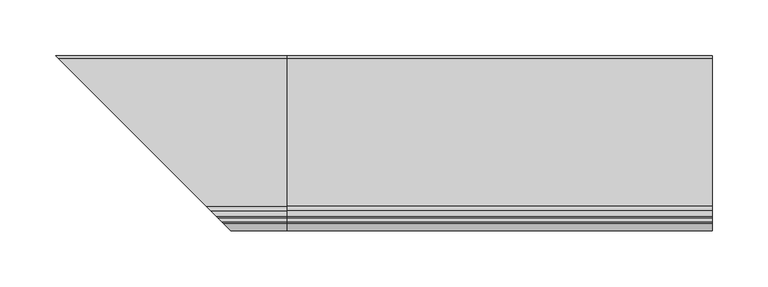
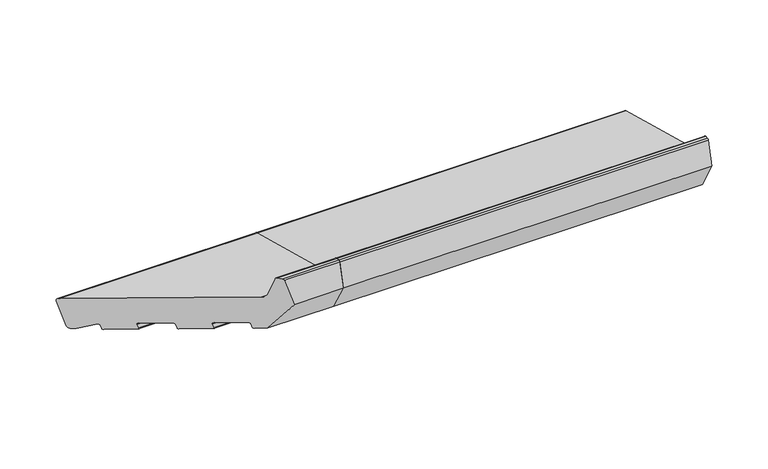
"""IFC4 building model written with IfcOpenShell, lengths in millimetres: proxy geometry."""

from ifc_helpers import new_model, si_unit, point, frame, frame_2d, origin, place, context, project, spatial, polyline, circle_curve, ellipse_curve, trimmed, segment, composite_curve, outline, extrude, source, transform, mapped, element, save
from ifc_brep_helpers import plane_surface, cylinder_surface, revolved_surface, advanced_brep


def generic_models_b41b1fc0(model_context):
    return source(origin(), model_context, "Body", "SolidModel", [
        advanced_brep(
        [(0.0, 24.4386976, 5.4869469), (0.0, 28.1129323, 7.6082672), (0.0, 34.8422274, 32.7223387), (0.0, 32.7209071, 36.3965733), (0.0, -99.1626434, 71.7346642), (0.0, -103.4052841, 75.9773049), (0.0, -108.1879801, 93.8265696), (0.0, -109.6368689, 94.9383411), (0.0, -112.9802434, 94.9383411), (0.0, -114.4291321, 93.8265696), (0.0, -121.0, 69.3037568), (0.0, -103.3223305, 38.685135), (0.0, -94.628998, 36.3557636), (0.0, -93.4042532, 37.0628704), (0.0, -92.368977, 40.9265737), (0.0, -91.1442321, 41.6336805), (0.0, -67.9620123, 35.4220234), (0.0, -67.2549055, 34.1972785), (0.0, -68.2901817, 30.3335752), (0.0, -67.5830749, 29.1088303), (0.0, -45.3667809, 23.1559923), (0.0, -44.142036, 23.8630991), (0.0, -43.1067598, 27.7268024), (0.0, -41.882015, 28.4339092), (0.0, -18.6997951, 22.2222521), (0.0, -17.9926884, 20.9975072), (0.0, -19.0279645, 17.1338039), (0.0, -18.3208578, 15.909059), (0.0, 3.8954362, 9.956221), (0.0, 5.1201811, 10.6633278), (0.0, 6.0694345, 14.2059898), (0.0, 7.5536904, 14.8023515), (0.0, 21.7219201, 6.2149052), (-195.4386976, 24.4386976, 5.4869469), (-199.1129323, 28.1129323, 7.6082672), (-205.8422274, 34.8422274, 32.7223387), (-203.7209071, 32.7209071, 36.3965733), (-71.8373566, -99.1626434, 71.7346642), (-67.5947159, -103.4052841, 75.9773049), (-62.8120199, -108.1879801, 93.8265696), (-61.3631311, -109.6368689, 94.9383411), (-58.0197566, -112.9802434, 94.9383411), (-56.5708679, -114.4291321, 93.8265696), (-50.0, -121.0, 69.3037568), (-67.6776695, -103.3223305, 38.685135), (-76.371002, -94.628998, 36.3557636), (-77.5957468, -93.4042532, 37.0628704), (-78.631023, -92.368977, 40.9265737), (-79.8557679, -91.1442321, 41.6336805), (-103.0379877, -67.9620123, 35.4220234), (-103.7450945, -67.2549055, 34.1972785), (-102.7098183, -68.2901817, 30.3335752), (-103.4169251, -67.5830749, 29.1088303), (-125.6332191, -45.3667809, 23.1559923), (-126.857964, -44.142036, 23.8630991), (-127.8932402, -43.1067598, 27.7268024), (-129.117985, -41.882015, 28.4339092), (-192.7219201, 21.7219201, 6.2149052), (-152.3002049, -18.6997951, 22.2222521), (-151.9720355, -19.0279645, 17.1338039), (-152.6791422, -18.3208578, 15.909059), (-153.0073116, -17.9926884, 20.9975072), (-174.8954362, 3.8954362, 9.956221), (-176.1201811, 5.1201811, 10.6633278), (-177.0694345, 6.0694345, 14.2059898), (-178.5536904, 7.5536904, 14.8023515)],
        [
            (0, 1, circle_curve(frame((0.0, 25.2151548, 8.3847244), z_axis=(1.0, 0.0, 0.0), x_axis=(0.0, 1.0, 0.0)), 3.0)),
            (1, 2),
            (2, 3, circle_curve(frame((0.0, 31.94445, 33.4987958), z_axis=(1.0, 0.0, 0.0), x_axis=(0.0, 1.0, 0.0)), 3.0)),
            (3, 4),
            (4, 5, circle_curve(frame((0.0, -97.6097291, 77.5302191), z_axis=(-1.0, 0.0, 0.0), x_axis=(0.0, 1.0, 0.0)), 6.0)),
            (5, 6),
            (6, 7, circle_curve(frame((0.0, -109.6368689, 93.4383411), z_axis=(1.0, 0.0, 0.0), x_axis=(0.0, 1.0, 0.0)), 1.5)),
            (7, 8),
            (8, 9, circle_curve(frame((0.0, -112.9802434, 93.4383411), z_axis=(1.0, 0.0, 0.0), x_axis=(0.0, 1.0, 0.0)), 1.5)),
            (9, 10),
            (10, 11),
            (11, 12),
            (12, 13, circle_curve(frame((0.0, -94.370179, 37.3216894), z_axis=(1.0, 0.0, 0.0), x_axis=(0.0, 1.0, 0.0)), 1.0)),
            (13, 14),
            (14, 15, circle_curve(frame((0.0, -91.4030512, 40.6677546), z_axis=(-1.0, 0.0, 0.0), x_axis=(0.0, 1.0, 0.0)), 1.0)),
            (15, 16),
            (16, 17, circle_curve(frame((0.0, -68.2208313, 34.4560976), z_axis=(-1.0, 0.0, 0.0), x_axis=(0.0, 1.0, 0.0)), 1.0)),
            (17, 18),
            (18, 19, circle_curve(frame((0.0, -67.3242559, 30.0747562), z_axis=(1.0, 0.0, 0.0), x_axis=(0.0, 1.0, 0.0)), 1.0)),
            (19, 20),
            (20, 21, circle_curve(frame((0.0, -45.1079618, 24.1219181), z_axis=(1.0, 0.0, 0.0), x_axis=(0.0, 1.0, 0.0)), 1.0)),
            (21, 22),
            (22, 23, circle_curve(frame((0.0, -42.140834, 27.4679833), z_axis=(-1.0, 0.0, 0.0), x_axis=(0.0, 1.0, 0.0)), 1.0)),
            (23, 24),
            (24, 25, circle_curve(frame((0.0, -18.9586142, 21.2563263), z_axis=(-1.0, 0.0, 0.0), x_axis=(0.0, 1.0, 0.0)), 1.0)),
            (25, 26),
            (26, 27, circle_curve(frame((0.0, -18.0620387, 16.8749849), z_axis=(1.0, 0.0, 0.0), x_axis=(0.0, 1.0, 0.0)), 1.0)),
            (27, 28),
            (28, 29, circle_curve(frame((0.0, 4.1542553, 10.9221468), z_axis=(1.0, 0.0, 0.0), x_axis=(0.0, 1.0, 0.0)), 1.0)),
            (29, 30),
            (30, 31, circle_curve(frame((0.0, 7.0353604, 13.9471708), z_axis=(-1.0, 0.0, 0.0), x_axis=(0.0, 1.0, 0.0)), 1.0)),
            (31, 32),
            (32, 0),
            (0, 33),
            (33, 34, ellipse_curve(frame((-196.2151548, 25.2151548, 8.3847244), z_axis=(0.707106781186548, 0.7071067811865471, 0.0), x_axis=(-0.707106781186547, 0.707106781186548, 0.0)), 4.2426407, 3.0)),
            (34, 1),
            (34, 35),
            (35, 2),
            (35, 36, ellipse_curve(frame((-202.94445, 31.94445, 33.4987958), z_axis=(0.707106781186548, 0.7071067811865471, 0.0), x_axis=(-0.707106781186547, 0.707106781186548, 0.0)), 4.2426407, 3.0)),
            (36, 3),
            (36, 37),
            (37, 4),
            (37, 38, ellipse_curve(frame((-73.3902709, -97.6097291, 77.5302191), z_axis=(-0.707106781186548, -0.7071067811865471, 0.0), x_axis=(0.707106781186547, -0.707106781186548, 0.0)), 8.4852814, 6.0)),
            (38, 5),
            (38, 39),
            (39, 6),
            (39, 40, ellipse_curve(frame((-61.3631311, -109.6368689, 93.4383411), z_axis=(0.707106781186548, 0.7071067811865471, 0.0), x_axis=(-0.707106781186547, 0.707106781186548, 0.0)), 2.1213203, 1.5)),
            (40, 7),
            (40, 41),
            (41, 8),
            (41, 42, ellipse_curve(frame((-58.0197566, -112.9802434, 93.4383411), z_axis=(0.707106781186548, 0.7071067811865471, 0.0), x_axis=(-0.707106781186547, 0.707106781186548, 0.0)), 2.1213203, 1.5)),
            (42, 9),
            (42, 43),
            (43, 10),
            (43, 44),
            (44, 11),
            (44, 45),
            (45, 12),
            (45, 46, ellipse_curve(frame((-76.629821, -94.370179, 37.3216894), z_axis=(0.707106781186548, 0.7071067811865471, 0.0), x_axis=(-0.707106781186547, 0.707106781186548, 0.0)), 1.4142136, 1.0)),
            (46, 13),
            (46, 47),
            (47, 14),
            (47, 48, ellipse_curve(frame((-79.5969488, -91.4030512, 40.6677546), z_axis=(-0.707106781186548, -0.7071067811865471, 0.0), x_axis=(0.707106781186547, -0.707106781186548, 0.0)), 1.4142136, 1.0)),
            (48, 15),
            (48, 49),
            (49, 16),
            (49, 50, ellipse_curve(frame((-102.7791687, -68.2208313, 34.4560976), z_axis=(-0.707106781186548, -0.7071067811865471, 0.0), x_axis=(0.707106781186547, -0.707106781186548, 0.0)), 1.4142136, 1.0)),
            (50, 17),
            (50, 51),
            (51, 18),
            (51, 52, ellipse_curve(frame((-103.6757441, -67.3242559, 30.0747562), z_axis=(0.707106781186548, 0.7071067811865471, 0.0), x_axis=(-0.707106781186547, 0.707106781186548, 0.0)), 1.4142136, 1.0)),
            (52, 19),
            (52, 53),
            (53, 20),
            (53, 54, ellipse_curve(frame((-125.8920382, -45.1079618, 24.1219181), z_axis=(0.707106781186548, 0.7071067811865471, 0.0), x_axis=(-0.707106781186547, 0.707106781186548, 0.0)), 1.4142136, 1.0)),
            (54, 21),
            (54, 55),
            (55, 22),
            (55, 56, ellipse_curve(frame((-128.859166, -42.140834, 27.4679833), z_axis=(-0.707106781186548, -0.7071067811865471, 0.0), x_axis=(0.707106781186547, -0.707106781186548, 0.0)), 1.4142136, 1.0)),
            (56, 23),
            (32, 57),
            (57, 33),
            (56, 58),
            (58, 24),
            (26, 59),
            (59, 60, ellipse_curve(frame((-152.9379613, -18.0620387, 16.8749849), z_axis=(0.707106781186548, 0.7071067811865471, 0.0), x_axis=(-0.707106781186547, 0.707106781186548, 0.0)), 1.4142136, 1.0)),
            (60, 27),
            (25, 61),
            (61, 59),
            (58, 61, ellipse_curve(frame((-152.0413858, -18.9586142, 21.2563263), z_axis=(-0.707106781186548, -0.7071067811865471, 0.0), x_axis=(0.707106781186547, -0.707106781186548, 0.0)), 1.4142136, 1.0)),
            (60, 62),
            (62, 28),
            (62, 63, ellipse_curve(frame((-175.1542553, 4.1542553, 10.9221468), z_axis=(0.707106781186548, 0.7071067811865471, 0.0), x_axis=(-0.707106781186547, 0.707106781186548, 0.0)), 1.4142136, 1.0)),
            (63, 29),
            (63, 64),
            (64, 30),
            (64, 65, ellipse_curve(frame((-178.0353604, 7.0353604, 13.9471708), z_axis=(-0.707106781186548, -0.7071067811865471, 0.0), x_axis=(0.707106781186547, -0.707106781186548, 0.0)), 1.4142136, 1.0)),
            (65, 31),
            (65, 57),
        ],
        [
            plane_surface(frame((0.0, 0.0, 0.0), z_axis=(1.0, 0.0, 0.0), x_axis=(0.0, 0.0, 1.0))),
            cylinder_surface(frame((-206.3741644, 25.2151548, 8.3847244), z_axis=(-1.0, 0.0, 0.0), x_axis=(0.0, 1.0, 0.0)), 3.0),
            plane_surface(frame((-206.3741644, 34.8422274, 32.7223387), z_axis=(0.0, 0.9659258262890686, -0.2588190451025195), x_axis=(1.0, 0.0, 0.0))),
            cylinder_surface(frame((-206.3741644, 31.94445, 33.4987958), z_axis=(-1.0, 0.0, 0.0), x_axis=(0.0, 1.0, 0.0)), 3.0),
            plane_surface(frame((-206.3741644, -99.1626434, 71.7346642), z_axis=(0.0, 0.2588190451025208, 0.9659258262890683), x_axis=(1.0, 0.0, 0.0))),
            revolved_surface(polyline([(0.0, -91.6097291, 77.5302191), (-79.39027091821606, -91.6097291, 77.5302191)]), (-206.3741644, -97.6097291, 77.5302191), (1.0, 0.0, 0.0)),
            plane_surface(frame((-206.3741644, -108.1879801, 93.8265696), z_axis=(0.0, 0.9659258262890682, 0.2588190451025212), x_axis=(1.0, 0.0, 0.0))),
            cylinder_surface(frame((-206.3741644, -109.6368689, 93.4383411), z_axis=(-1.0, 0.0, 0.0), x_axis=(0.0, 1.0, 0.0)), 1.5),
            plane_surface(frame((-206.3741644, -112.9802434, 94.9383411), z_axis=(0.0, 0.0, 1.0), x_axis=(1.0, 0.0, 0.0))),
            cylinder_surface(frame((-206.3741644, -112.9802434, 93.4383411), z_axis=(-1.0, 0.0, 0.0), x_axis=(0.0, 1.0, 0.0)), 1.5),
            plane_surface(frame((-206.3741644, -121.0, 69.3037568), z_axis=(0.0, -0.9659258262890684, 0.2588190451025204), x_axis=(1.0, 0.0, 0.0))),
            plane_surface(frame((-206.3741644, -103.3223305, 38.685135), z_axis=(0.0, -0.8660254037844387, -0.4999999999999999), x_axis=(1.0, 0.0, 0.0))),
            plane_surface(frame((-206.3741644, -94.628998, 36.3557636), z_axis=(0.0, -0.2588190451025165, -0.9659258262890695), x_axis=(1.0, 0.0, 0.0))),
            cylinder_surface(frame((-206.3741644, -94.370179, 37.3216894), z_axis=(-1.0, 0.0, 0.0), x_axis=(0.0, 1.0, 0.0)), 1.0),
            plane_surface(frame((-206.3741644, -92.368977, 40.9265737), z_axis=(0.0, 0.9659258262890698, -0.2588190451025152), x_axis=(1.0, 0.0, 0.0))),
            revolved_surface(polyline([(0.0, -90.4030512, 40.6677546), (-80.59694882660625, -90.4030512, 40.6677546)]), (-206.3741644, -91.4030512, 40.6677546), (1.0, 0.0, 0.0)),
            plane_surface(frame((-206.3741644, -67.9620123, 35.4220234), z_axis=(0.0, -0.2588190451025194, -0.9659258262890686), x_axis=(1.0, 0.0, 0.0))),
            revolved_surface(polyline([(0.0, -67.2208313, 34.4560976), (-103.77916872660624, -67.2208313, 34.4560976)]), (-206.3741644, -68.2208313, 34.4560976), (1.0, 0.0, 0.0)),
            plane_surface(frame((-206.3741644, -68.2901817, 30.3335752), z_axis=(0.0, -0.9659258262890703, 0.25881904510251325), x_axis=(1.0, 0.0, 0.0))),
            cylinder_surface(frame((-206.3741644, -67.3242559, 30.0747562), z_axis=(-1.0, 0.0, 0.0), x_axis=(0.0, 1.0, 0.0)), 1.0),
            plane_surface(frame((-206.3741644, -45.3667809, 23.1559923), z_axis=(0.0, -0.2588190451025213, -0.9659258262890682), x_axis=(1.0, 0.0, 0.0))),
            cylinder_surface(frame((-206.3741644, -45.1079618, 24.1219181), z_axis=(-1.0, 0.0, 0.0), x_axis=(0.0, 1.0, 0.0)), 1.0),
            plane_surface(frame((-206.3741644, -43.1067598, 27.7268024), z_axis=(0.0, 0.9659258262890698, -0.2588190451025152), x_axis=(1.0, 0.0, 0.0))),
            revolved_surface(polyline([(0.0, -41.140834, 27.4679833), (-129.85916602660623, -41.140834, 27.4679833)]), (-206.3741644, -42.140834, 27.4679833), (1.0, 0.0, 0.0)),
            plane_surface(frame((-206.3741644, 24.4386976, 5.4869469), z_axis=(0.0, -0.25881904510252585, -0.9659258262890669), x_axis=(1.0, 0.0, 0.0))),
            plane_surface(frame((-206.3741644, -18.6997951, 22.2222521), z_axis=(0.0, -0.25881904510252046, -0.9659258262890684), x_axis=(1.0, 0.0, 0.0))),
            cylinder_surface(frame((-206.3741644, -18.0620387, 16.8749849), z_axis=(-1.0, 0.0, 0.0), x_axis=(0.0, 1.0, 0.0)), 1.0),
            plane_surface(frame((-206.3741644, -19.0279645, 17.1338039), z_axis=(0.0, -0.9659258262890703, 0.25881904510251325), x_axis=(1.0, 0.0, 0.0))),
            revolved_surface(polyline([(0.0, -17.9586142, 21.2563263), (-153.04138582660624, -17.9586142, 21.2563263)]), (-206.3741644, -18.9586142, 21.2563263), (1.0, 0.0, 0.0)),
            plane_surface(frame((-206.3741644, 3.8954362, 9.956221), z_axis=(0.0, -0.2588190451025213, -0.9659258262890682), x_axis=(1.0, 0.0, 0.0))),
            cylinder_surface(frame((-206.3741644, 4.1542553, 10.9221468), z_axis=(-1.0, 0.0, 0.0), x_axis=(0.0, 1.0, 0.0)), 1.0),
            plane_surface(frame((-206.3741644, 6.0694345, 14.2059898), z_axis=(0.0, 0.965925826289068, -0.2588190451025223), x_axis=(1.0, 0.0, 0.0))),
            revolved_surface(polyline([(0.0, 8.0353604, 13.9471708), (-179.03536042660625, 8.0353604, 13.9471708)]), (-206.3741644, 7.0353604, 13.9471708), (1.0, 0.0, 0.0)),
            plane_surface(frame((-206.3741644, 21.7219201, 6.2149052), z_axis=(0.0, -0.5183299834329756, -0.8551806991942529), x_axis=(1.0, 0.0, 0.0))),
            plane_surface(frame((-152.2045815, -18.7954185, 0.0), z_axis=(-0.707106781186548, -0.7071067811865471, 0.0), x_axis=(0.0, 0.0, 1.0))),
        ],
        [
            (0, [[1, 2, 3, 4, 5, 6, 7, 8, 9, 10, 11, 12, 13, 14, 15, 16, 17, 18, 19, 20, 21, 22, 23, 24, 25, 26, 27, 28, 29, 30, 31, 32, 33]]),
            (1, [[-1, 34, 35, 36]]),
            (2, [[-2, -36, 37, 38]]),
            (3, [[-3, -38, 39, 40]]),
            (4, [[-4, -40, 41, 42]]),
            (5, [[-5, -42, 43, 44]]),
            (6, [[-6, -44, 45, 46]]),
            (7, [[-7, -46, 47, 48]]),
            (8, [[-8, -48, 49, 50]]),
            (9, [[-9, -50, 51, 52]]),
            (10, [[-10, -52, 53, 54]]),
            (11, [[-11, -54, 55, 56]]),
            (12, [[-12, -56, 57, 58]]),
            (13, [[-13, -58, 59, 60]]),
            (14, [[-14, -60, 61, 62]]),
            (15, [[-15, -62, 63, 64]]),
            (16, [[-16, -64, 65, 66]]),
            (17, [[-17, -66, 67, 68]]),
            (18, [[-18, -68, 69, 70]]),
            (19, [[-19, -70, 71, 72]]),
            (20, [[-20, -72, 73, 74]]),
            (21, [[-21, -74, 75, 76]]),
            (22, [[-22, -76, 77, 78]]),
            (23, [[-23, -78, 79, 80]]),
            (24, [[-33, 81, 82, -34]]),
            (25, [[-24, -80, 83, 84]]),
            (26, [[-27, 85, 86, 87]]),
            (27, [[-26, 88, 89, -85]]),
            (28, [[-25, -84, 90, -88]]),
            (29, [[-28, -87, 91, 92]]),
            (30, [[-29, -92, 93, 94]]),
            (31, [[-30, -94, 95, 96]]),
            (32, [[-31, -96, 97, 98]]),
            (33, [[-32, -98, 99, -81]]),
            (34, [[-35, -82, -99, -97, -95, -93, -91, -86, -89, -90, -83, -79, -77, -75, -73, -71, -69, -67, -65, -63, -61, -59, -57, -55, -53, -51, -49, -47, -45, -43, -41, -39, -37]]),
        ],
    ),
        extrude(outline(composite_curve([segment(polyline([(24.4386976, 5.4869469), (21.7219201, 6.2149052), (7.5536904, 14.8023515)]), True, "CONTINUOUS"), segment(trimmed(circle_curve(frame_2d((7.0353604, 13.9471708)), 1.0), [point((7.5536904, 14.8023515))], [point((6.0694345, 14.2059898))], True, "CARTESIAN"), True, "CONTINUOUS"), segment(polyline([(6.0694345, 14.2059898), (5.1201811, 10.6633278)]), True, "CONTINUOUS"), segment(trimmed(circle_curve(frame_2d((4.1542553, 10.9221468)), 1.0), [point((5.1201811, 10.6633278))], [point((3.8954362, 9.956221))], False, "CARTESIAN"), True, "CONTINUOUS"), segment(polyline([(3.8954362, 9.956221), (-18.3208578, 15.909059)]), True, "CONTINUOUS"), segment(trimmed(circle_curve(frame_2d((-18.0620387, 16.8749849)), 1.0), [point((-18.3208578, 15.909059))], [point((-19.0279645, 17.1338039))], False, "CARTESIAN"), True, "CONTINUOUS"), segment(polyline([(-19.0279645, 17.1338039), (-17.9926884, 20.9975072)]), True, "CONTINUOUS"), segment(trimmed(circle_curve(frame_2d((-18.9586142, 21.2563263)), 1.0), [point((-17.9926884, 20.9975072))], [point((-18.6997951, 22.2222521))], True, "CARTESIAN"), True, "CONTINUOUS"), segment(polyline([(-18.6997951, 22.2222521), (-41.882015, 28.4339092)]), True, "CONTINUOUS"), segment(trimmed(circle_curve(frame_2d((-42.140834, 27.4679833)), 1.0), [point((-41.882015, 28.4339092))], [point((-43.1067598, 27.7268024))], True, "CARTESIAN"), True, "CONTINUOUS"), segment(polyline([(-43.1067598, 27.7268024), (-44.142036, 23.8630991)]), True, "CONTINUOUS"), segment(trimmed(circle_curve(frame_2d((-45.1079618, 24.1219181)), 1.0), [point((-44.142036, 23.8630991))], [point((-45.3667809, 23.1559923))], False, "CARTESIAN"), True, "CONTINUOUS"), segment(polyline([(-45.3667809, 23.1559923), (-67.5830749, 29.1088303)]), True, "CONTINUOUS"), segment(trimmed(circle_curve(frame_2d((-67.3242559, 30.0747562)), 1.0), [point((-67.5830749, 29.1088303))], [point((-68.2901817, 30.3335752))], False, "CARTESIAN"), True, "CONTINUOUS"), segment(polyline([(-68.2901817, 30.3335752), (-67.2549055, 34.1972785)]), True, "CONTINUOUS"), segment(trimmed(circle_curve(frame_2d((-68.2208313, 34.4560976)), 1.0), [point((-67.2549055, 34.1972785))], [point((-67.9620123, 35.4220234))], True, "CARTESIAN"), True, "CONTINUOUS"), segment(polyline([(-67.9620123, 35.4220234), (-91.1442321, 41.6336805)]), True, "CONTINUOUS"), segment(trimmed(circle_curve(frame_2d((-91.4030512, 40.6677546)), 1.0), [point((-91.1442321, 41.6336805))], [point((-92.368977, 40.9265737))], True, "CARTESIAN"), True, "CONTINUOUS"), segment(polyline([(-92.368977, 40.9265737), (-93.4042532, 37.0628704)]), True, "CONTINUOUS"), segment(trimmed(circle_curve(frame_2d((-94.370179, 37.3216894)), 1.0), [point((-93.4042532, 37.0628704))], [point((-94.628998, 36.3557636))], False, "CARTESIAN"), True, "CONTINUOUS"), segment(polyline([(-94.628998, 36.3557636), (-103.3223305, 38.685135), (-121.0, 69.3037568), (-114.4291321, 93.8265696)]), True, "CONTINUOUS"), segment(trimmed(circle_curve(frame_2d((-112.9802434, 93.4383411)), 1.5), [point((-114.4291321, 93.8265696))], [point((-112.9802434, 94.9383411))], False, "CARTESIAN"), True, "CONTINUOUS"), segment(polyline([(-112.9802434, 94.9383411), (-109.6368689, 94.9383411)]), True, "CONTINUOUS"), segment(trimmed(circle_curve(frame_2d((-109.6368689, 93.4383411)), 1.5), [point((-109.6368689, 94.9383411))], [point((-108.1879801, 93.8265696))], False, "CARTESIAN"), True, "CONTINUOUS"), segment(polyline([(-108.1879801, 93.8265696), (-103.4052841, 75.9773049)]), True, "CONTINUOUS"), segment(trimmed(circle_curve(frame_2d((-97.6097291, 77.5302191)), 6.0), [point((-103.4052841, 75.9773049))], [point((-99.1626434, 71.7346642))], True, "CARTESIAN"), True, "CONTINUOUS"), segment(polyline([(-99.1626434, 71.7346642), (32.7209071, 36.3965733)]), True, "CONTINUOUS"), segment(trimmed(circle_curve(frame_2d((31.94445, 33.4987958)), 3.0), [point((32.7209071, 36.3965733))], [point((34.8422274, 32.7223387))], False, "CARTESIAN"), True, "CONTINUOUS"), segment(polyline([(34.8422274, 32.7223387), (28.1129323, 7.6082672)]), True, "CONTINUOUS"), segment(trimmed(circle_curve(frame_2d((25.2151548, 8.3847244)), 3.0), [point((28.1129323, 7.6082672))], [point((24.4386976, 5.4869469))], False, "CARTESIAN"), True, "CONTINUOUS")], self_intersect=False)), frame((0.0, 0.0, 0.0), z_axis=(1.0, 0.0, 0.0), x_axis=(0.0, 1.0, 0.0)), (0.0, 0.0, 1.0), 380.0),
    ])


if __name__ == "__main__":
    model = new_model("IFC4")
    model_context = context("Model", 3, world=origin())
    ifc_project = project(units=[si_unit("LENGTHUNIT", "METRE", prefix="MILLI")], contexts=[model_context])
    site = spatial("IfcSite", under=ifc_project)
    building = spatial("IfcBuilding", under=site)
    placement = place(None, origin())
    generic_models_shape = generic_models_b41b1fc0(model_context)
    element("IfcBuildingElementProxy", 1, Name="Generic Models", at=placement, inside=building, context=model_context, shape_type="MappedRepresentation", body=[
        mapped(generic_models_shape, transform((0.0, 0.0, 0.0), x_axis=(1.0, 0.0, 0.0), y_axis=(0.0, 1.0, 0.0), z_axis=(0.0, 0.0, 1.0))),
    ])
    save(model, "model.ifc")
